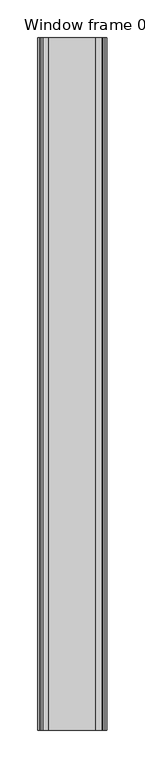
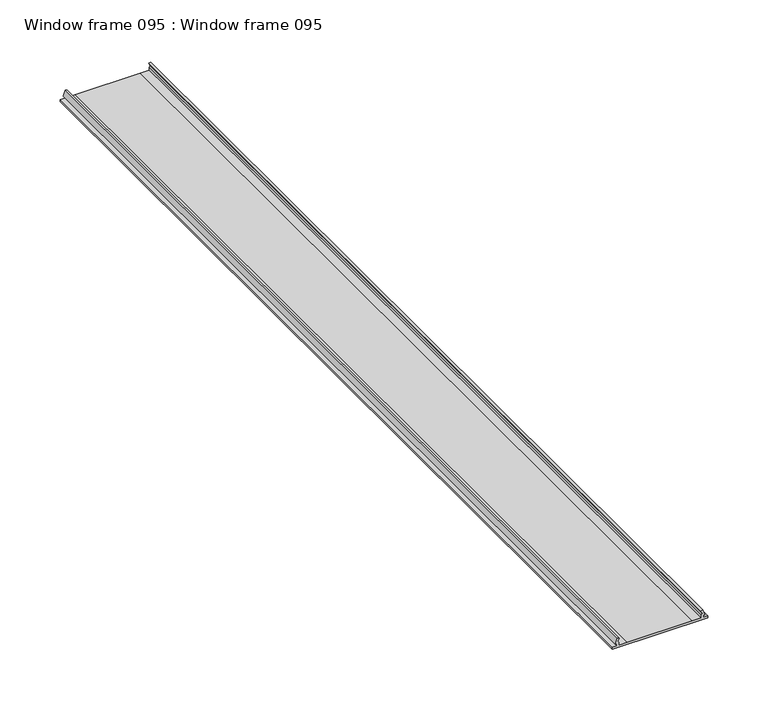
"""IFC4 building model written with IfcOpenShell, lengths in millimetres: proxy geometry, Window frame 095 : Window frame 095."""

from ifc_helpers import new_model, si_unit, frame, origin, place, context, project, spatial, polyline, outline, extrude, source, transform, mapped, element, save


def window_frame_095_window_frame_095_42f387fb(model_context):
    return source(origin(), model_context, "Body", "SweptSolid", [
        extrude(outline(polyline([(1338.6816, 37558.0541343), (1338.6816, 37553.7361343), (1336.6496, 37553.7361343), (1336.6496, 37644.9208643), (1338.6816, 37644.9208643), (1338.6816, 37640.6028643), (1340.866, 37640.6028643), (1340.866, 37642.1776643), (1346.3778, 37640.1710643), (1345.7696013, 37638.5000521), (1342.9248013, 37639.5287521), (1341.755, 37638.8248643), (1338.6816, 37638.8248643), (1338.6816, 37630.0364643), (1338.6816, 37568.1188843), (1338.6816, 37559.8321343), (1341.755, 37559.8321343), (1342.9248013, 37559.1168164), (1345.7696013, 37560.1556764), (1346.3778, 37558.4846643), (1340.866, 37556.4780643), (1340.866, 37558.0528643), (1338.6816, 37558.0541343)])), frame((0.0, -19576.8264268, 0.0), z_axis=(0.0, 1.0, 0.0), x_axis=(0.0, 0.0, 1.0)), (0.0, 0.0, 1.0), 914.4),
    ])


if __name__ == "__main__":
    model = new_model("IFC4")
    model_context = context("Model", 3, world=origin())
    ifc_project = project(units=[si_unit("LENGTHUNIT", "METRE", prefix="MILLI")], contexts=[model_context])
    site = spatial("IfcSite", under=ifc_project)
    building = spatial("IfcBuilding", under=site)
    placement = place(None, origin())
    window_frame_095_window_frame_095_shape = window_frame_095_window_frame_095_42f387fb(model_context)
    element("IfcBuildingElementProxy", 1, Name="Window frame 095 : Window frame 095", ObjectType="Window frame 095 : Window frame 095", at=placement, inside=building, context=model_context, shape_type="MappedRepresentation", body=[
        mapped(window_frame_095_window_frame_095_shape, transform((0.0, 0.0, 0.0), x_axis=(1.0, 0.0, 0.0), y_axis=(0.0, 1.0, 0.0), z_axis=(0.0, 0.0, 1.0))),
    ])
    save(model, "model.ifc")
